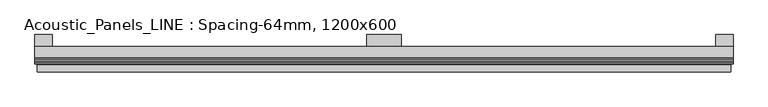
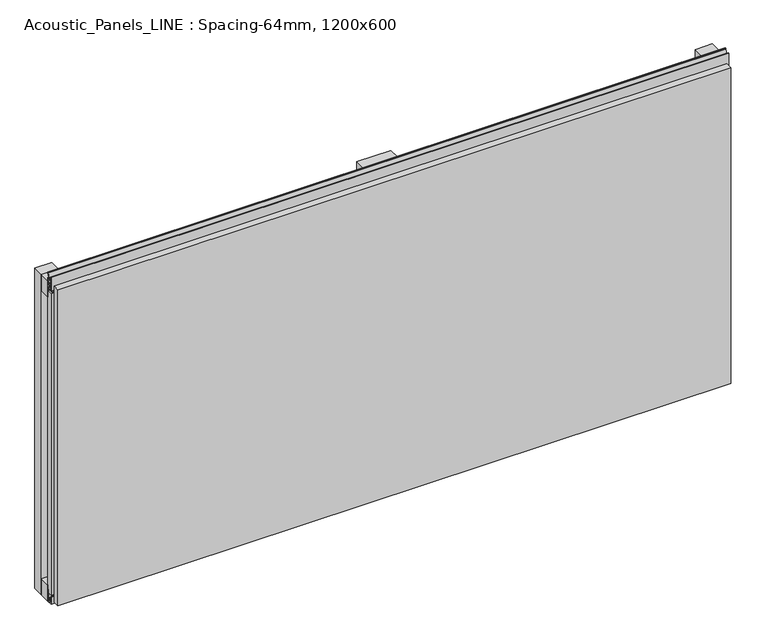
"""IFC4 building model written with IfcOpenShell, lengths in millimetres: plate geometry, Acoustic_Panels_LINE : Spacing-64mm, 1200x600."""

from ifc_helpers import new_model, si_unit, frame, origin, origin_with_axes, place, context, project, spatial, polyline, outline, extrude, faceted_brep, source, transform, mapped, element, save


def acoustic_panels_line_spacing_64mm_1200x600_31a27641(model_context):
    return source(origin(), model_context, "Body", "SolidModel", [
        extrude(outline(polyline([(-600.0, -40.0), (-600.0, -20.0), (600.0, -20.0), (600.0, -40.0), (-600.0, -40.0)])), frame((0.0, 0.0, 570.0), z_axis=(0.0, 0.0, 1.0), x_axis=(1.0, 0.0, 0.0)), (0.0, 0.0, 1.0), 30.0),
        extrude(outline(polyline([(-600.0, -40.0), (-600.0, -20.0), (600.0, -20.0), (600.0, -40.0), (-600.0, -40.0)])), origin_with_axes(), (0.0, 0.0, 1.0), 30.0),
        extrude(outline(polyline([(570.0, 0.0), (600.0, 0.0), (600.0, -20.0), (570.0, -20.0), (570.0, 0.0)])), origin_with_axes(), (0.0, 0.0, 1.0), 600.0),
        extrude(outline(polyline([(30.0, 0.0), (30.0, -20.0), (-30.0, -20.0), (-30.0, 0.0), (30.0, 0.0)])), origin_with_axes(), (0.0, 0.0, 1.0), 600.0),
        extrude(outline(polyline([(-570.0, 0.0), (-570.0, -20.0), (-600.0, -20.0), (-600.0, 0.0), (-570.0, 0.0)])), origin_with_axes(), (0.0, 0.0, 1.0), 600.0),
        extrude(outline(polyline([(-40.0, 6.299084), (-40.0, 0.0), (-50.1, 0.0), (-50.1, 13.4156807), (-48.7, 13.4156807), (-48.7, 1.4156807), (-41.4, 1.4156807), (-41.4, 4.899084), (-45.5140545, 4.899084), (-41.4553267, 15.5703394), (-41.4553267, 22.991548), (-40.0553267, 22.991548), (-40.0553267, 15.3558599), (-43.5, 6.299084), (-40.0, 6.299084)])), frame((-600.0, 0.0, 0.0), z_axis=(1.0, 0.0, 0.0), x_axis=(0.0, 1.0, 0.0)), (0.0, 0.0, 1.0), 1200.0),
        extrude(outline(polyline([(-593.700916, -40.0), (-593.700916, -43.5), (-584.6441401, -40.0553267), (-577.008452, -40.0553267), (-577.008452, -41.4553267), (-584.4296606, -41.4553267), (-595.100916, -45.5140545), (-595.100916, -41.4), (-598.5843193, -41.4), (-598.5843193, -48.7), (-586.5843193, -48.7), (-586.5843193, -50.1), (-600.0, -50.1), (-600.0, -40.0), (-593.700916, -40.0)])), frame((0.0, 0.0, 16.9558599), z_axis=(0.0, 0.0, 1.0), x_axis=(1.0, 0.0, 0.0)), (0.0, 0.0, 1.0), 566.0882802),
        extrude(outline(polyline([(-48.7, 600.899084), (-41.4, 600.899084), (-41.4, 604.899084), (-45.5140545, 604.899084), (-41.4553267, 615.5703394), (-41.4553267, 616.9558599), (-40.0553267, 616.9558599), (-40.0553267, 615.3558599), (-43.5, 606.299084), (-40.0, 606.299084), (-40.0, 593.700916), (-43.5, 593.700916), (-40.0553267, 584.6441401), (-40.0553267, 583.0441401), (-41.4553267, 583.0441401), (-41.4553267, 584.4296606), (-45.5140545, 595.100916), (-41.4, 595.100916), (-41.4, 599.100916), (-48.7, 599.100916), (-48.7, 587.100916), (-50.1, 587.100916), (-50.1, 612.899084), (-48.7, 612.899084), (-48.7, 600.899084)])), frame((-600.0, 0.0, 0.0), z_axis=(1.0, 0.0, 0.0), x_axis=(0.0, 1.0, 0.0)), (0.0, 0.0, 1.0), 1200.0),
        faceted_brep([(596.0, -45.9, 596.0), (-596.0, -45.9, 596.0), (-596.0, -48.7, 596.0), (596.0, -48.7, 596.0), (-596.0, -63.9, 596.0), (596.0, -63.9, 596.0), (596.0, -51.9, 596.0), (-596.0, -51.9, 596.0), (-596.0, -45.9, 4.0), (596.0, -45.9, 4.0), (596.0, -48.7, 4.0), (-596.0, -48.7, 4.0), (596.0, -63.9, 4.0), (-596.0, -63.9, 4.0), (-596.0, -51.9, 4.0), (596.0, -51.9, 4.0), (584.0, -51.9, 584.0), (584.0, -51.9, 16.0), (584.0, -48.7, 16.0), (584.0, -48.7, 584.0), (-584.0, -51.9, 16.0), (-584.0, -48.7, 16.0), (-584.0, -51.9, 584.0), (-584.0, -48.7, 584.0)], [[[0, 1, 2, 3]], [[4, 5, 6, 7]], [[8, 9, 10, 11]], [[12, 13, 14, 15]], [[1, 0, 9, 8]], [[1, 8, 11, 2]], [[13, 4, 7, 14]], [[5, 4, 13, 12]], [[9, 0, 3, 10]], [[5, 12, 15, 6]], [[16, 17, 18, 19]], [[18, 17, 20, 21]], [[21, 20, 22, 23]], [[16, 19, 23, 22]], [[7, 6, 15, 14], [17, 16, 22, 20]], [[3, 2, 11, 10], [19, 18, 21, 23]]]),
    ])


if __name__ == "__main__":
    model = new_model("IFC4")
    model_context = context("Model", 3, world=origin())
    ifc_project = project(units=[si_unit("LENGTHUNIT", "METRE", prefix="MILLI")], contexts=[model_context])
    site = spatial("IfcSite", under=ifc_project)
    building = spatial("IfcBuilding", under=site)
    placement = place(None, origin())
    acoustic_panels_line_spacing_64mm_1200x600_shape = acoustic_panels_line_spacing_64mm_1200x600_31a27641(model_context)
    element("IfcPlate", 1, ObjectType="Acoustic_Panels_LINE : Spacing-64mm, 1200x600", at=placement, inside=building, context=model_context, shape_type="MappedRepresentation", body=[
        mapped(acoustic_panels_line_spacing_64mm_1200x600_shape, transform((0.0, 0.0, 0.0), x_axis=(1.0, 0.0, 0.0), y_axis=(0.0, 1.0, 0.0), z_axis=(0.0, 0.0, 1.0))),
    ])
    save(model, "model.ifc")
